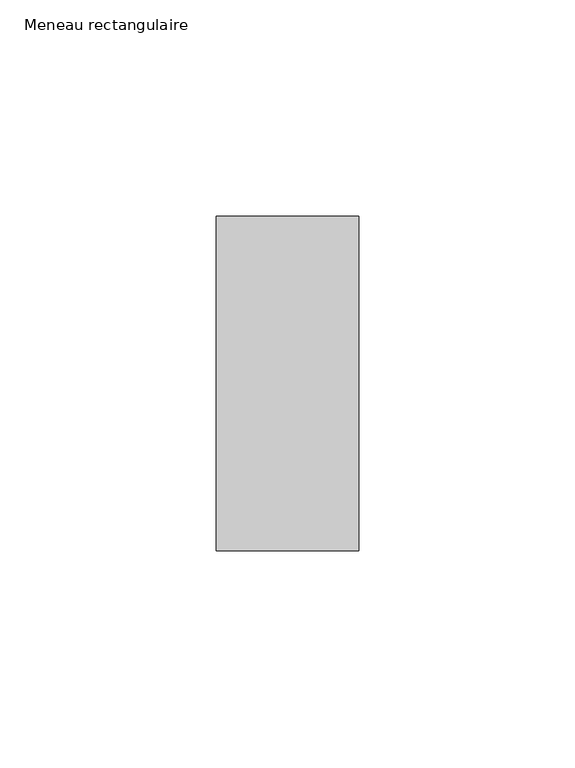
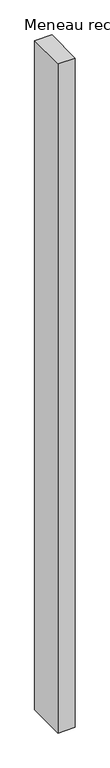
"""IFC4 building model written with IfcOpenShell, lengths in millimetres: member geometry, Meneau rectangulaire."""

from ifc_helpers import new_model, si_unit, frame, origin, place, context, project, spatial, polyline, outline, extrude, source, transform, mapped, element, save


def meneau_rectangulaire_349ca0a6(model_context):
    return source(origin(), model_context, "Body", "SweptSolid", [
        extrude(outline(polyline([(0.0, 38.75), (0.0, -38.75), (-33.0, -38.75), (-33.0, 38.75), (0.0, 38.75)])), frame((0.0, 0.0, -1356.5833332), z_axis=(0.0, 0.0, 1.0), x_axis=(1.0, 0.0, 0.0)), (0.0, 0.0, 1.0), 1356.5833332),
    ])


if __name__ == "__main__":
    model = new_model("IFC4")
    model_context = context("Model", 3, world=origin())
    ifc_project = project(units=[si_unit("LENGTHUNIT", "METRE", prefix="MILLI")], contexts=[model_context])
    site = spatial("IfcSite", under=ifc_project)
    building = spatial("IfcBuilding", under=site)
    placement = place(None, origin())
    meneau_rectangulaire_shape = meneau_rectangulaire_349ca0a6(model_context)
    element("IfcMember", 1, ObjectType="Meneau rectangulaire", at=placement, inside=building, context=model_context, shape_type="MappedRepresentation", body=[
        mapped(meneau_rectangulaire_shape, transform((0.0, 0.0, 0.0), x_axis=(1.0, 0.0, 0.0), y_axis=(0.0, 1.0, 0.0), z_axis=(0.0, 0.0, 1.0))),
    ])
    save(model, "model.ifc")
